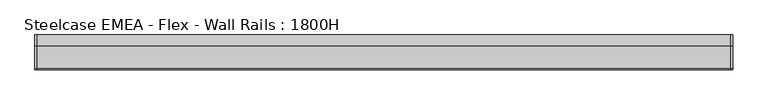
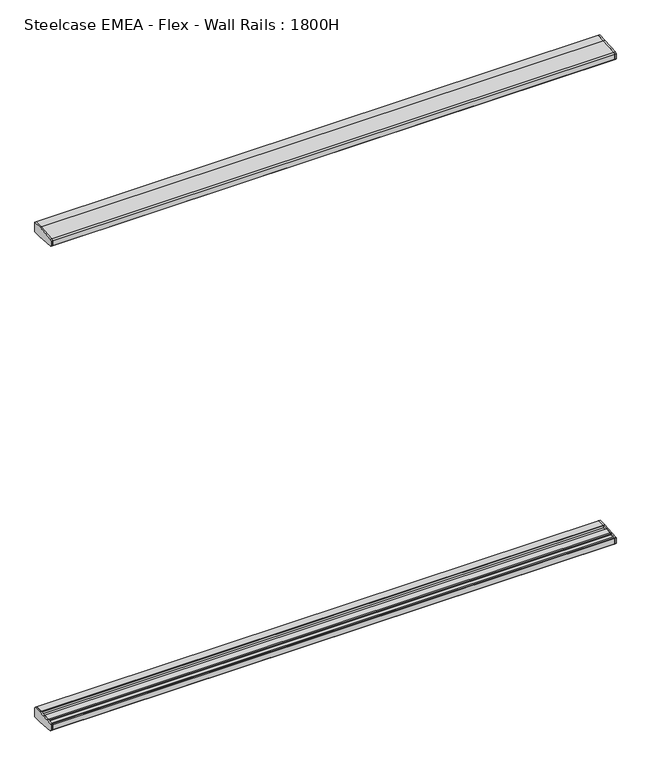
"""IFC4 building model written with IfcOpenShell, lengths in millimetres: furniture geometry, Steelcase EMEA - Flex - Wall Rails : 1800H."""

from ifc_helpers import new_model, si_unit, frame, origin, place, context, project, spatial, polyline, outline, extrude, source, transform, mapped, element, save


def steelcase_emea_flex_wall_rails_1800h_56697a9b(model_context):
    return source(origin(), model_context, "Body", "SweptSolid", [
        extrude(outline(polyline([(-29.748384, 494.399958), (-2.0015978, 494.399958), (0.0, 492.39833), (0.0, 457.2), (-31.7483991, 457.2), (-95.5653908, 462.6914284), (-99.9999601, 467.5239814), (-99.9999601, 486.7480995), (-98.0172056, 488.9021347), (-73.1435844, 490.9657693), (-50.3978144, 493.0470375), (-29.748384, 494.399958)])), frame((2000.3467279, 0.0, 0.0), z_axis=(1.0, 0.0, 0.0), x_axis=(0.0, 1.0, 0.0)), (0.0, 0.0, 1.0), 5.0),
        extrude(outline(polyline([(-29.748384, 2275.5875964), (-50.3978144, 2276.9405169), (-73.1435844, 2279.0217851), (-98.0172056, 2281.0854198), (-99.9999601, 2283.239455), (-99.9999601, 2302.4635731), (-95.5653908, 2307.2961261), (-31.7483991, 2312.7875545), (0.0, 2312.7875545), (0.0, 2277.5892245), (-2.0015978, 2275.5875964), (-29.748384, 2275.5875964)])), frame((2000.3467279, 0.0, 0.0), z_axis=(1.0, 0.0, 0.0), x_axis=(0.0, 1.0, 0.0)), (0.0, 0.0, 1.0), 5.0),
        extrude(outline(polyline([(-29.748384, 494.399958), (-2.0015978, 494.399958), (0.0, 492.39833), (0.0, 457.2), (-31.7483991, 457.2), (-95.5653908, 462.6914284), (-99.9999601, 467.5239814), (-99.9999601, 486.7480995), (-98.0172056, 488.9021347), (-73.1435844, 490.9657693), (-50.3978144, 493.0470375), (-29.748384, 494.399958)])), frame((0.0, 0.0, 0.0), z_axis=(1.0, 0.0, 0.0), x_axis=(0.0, 1.0, 0.0)), (0.0, 0.0, 1.0), 5.0),
        extrude(outline(polyline([(-29.748384, 2275.5875964), (-50.3978144, 2276.9405169), (-73.1435844, 2279.0217851), (-98.0172056, 2281.0854198), (-99.9999601, 2283.239455), (-99.9999601, 2302.4635731), (-95.5653908, 2307.2961261), (-31.7483991, 2312.7875545), (0.0, 2312.7875545), (0.0, 2277.5892245), (-2.0015978, 2275.5875964), (-29.748384, 2275.5875964)])), frame((0.0, 0.0, 0.0), z_axis=(1.0, 0.0, 0.0), x_axis=(0.0, 1.0, 0.0)), (0.0, 0.0, 1.0), 5.0),
        extrude(outline(polyline([(0.0, 492.39833), (0.0, 457.2), (-31.7483991, 457.2), (-95.5653908, 462.6914284), (-99.9999606, 467.5239822), (-99.9999598, 486.7480995), (-98.0172056, 488.9021347), (-93.9826847, 489.2368579), (-91.9999743, 487.4118187), (-91.9999735, 484.9937772), (-75.1383227, 484.9937772), (-75.1383233, 488.7986526), (-73.1435844, 490.9657693), (-50.3978144, 493.0470375), (-48.4030258, 491.016882), (-48.4030258, 484.9937772), (-31.7499758, 484.9937772), (-31.7499758, 492.398336), (-29.748384, 494.399958), (-2.0015978, 494.399958), (0.0, 492.39833)])), frame((5.0, 0.0, 0.0), z_axis=(1.0, 0.0, 0.0), x_axis=(0.0, 1.0, 0.0)), (0.0, 0.0, 1.0), 1995.3467279),
        extrude(outline(polyline([(0.0, 2277.5892245), (-2.0015978, 2275.5875964), (-29.748384, 2275.5875964), (-31.7499758, 2277.5892185), (-31.7499758, 2284.9937772), (-48.4030258, 2284.9937772), (-48.4030258, 2278.9706725), (-50.3978144, 2276.9405169), (-73.1435844, 2279.0217851), (-75.1383233, 2281.1889019), (-75.1383227, 2284.9937772), (-91.9999735, 2284.9937772), (-91.9999743, 2282.5757358), (-93.9826847, 2280.7506966), (-98.0172056, 2281.0854198), (-99.9999601, 2283.2394553), (-99.9999601, 2302.4635728), (-95.5653908, 2307.2961261), (-31.7483991, 2312.7875545), (0.0, 2312.7875545), (0.0, 2277.5892245)])), frame((5.0, 0.0, 0.0), z_axis=(1.0, 0.0, 0.0), x_axis=(0.0, 1.0, 0.0)), (0.0, 0.0, 1.0), 1995.3467279),
    ])


if __name__ == "__main__":
    model = new_model("IFC4")
    model_context = context("Model", 3, world=origin())
    ifc_project = project(units=[si_unit("LENGTHUNIT", "METRE", prefix="MILLI")], contexts=[model_context])
    site = spatial("IfcSite", under=ifc_project)
    building = spatial("IfcBuilding", under=site)
    placement = place(None, origin())
    steelcase_emea_flex_wall_rails_1800h_shape = steelcase_emea_flex_wall_rails_1800h_56697a9b(model_context)
    element("IfcFurniture", 1, ObjectType="Steelcase EMEA - Flex - Wall Rails : 1800H", at=placement, inside=building, context=model_context, shape_type="MappedRepresentation", body=[
        mapped(steelcase_emea_flex_wall_rails_1800h_shape, transform((0.0, 0.0, 0.0), x_axis=(1.0, 0.0, 0.0), y_axis=(0.0, 1.0, 0.0), z_axis=(0.0, 0.0, 1.0))),
    ])
    save(model, "model.ifc")
